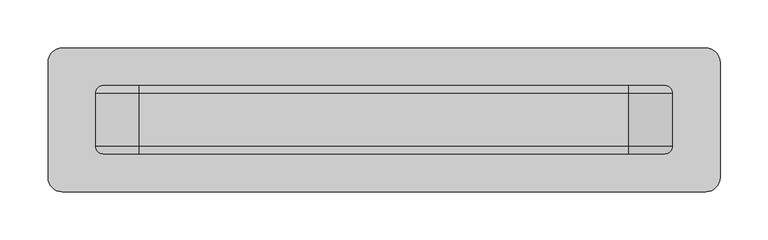
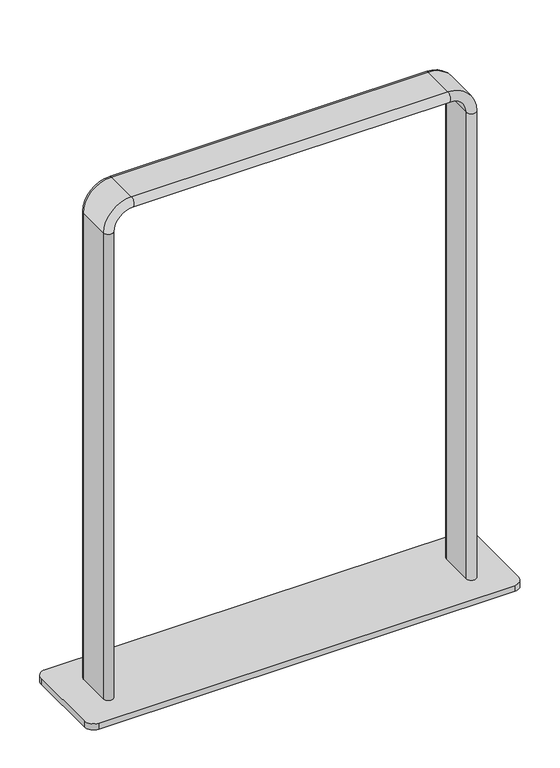
"""IFC4 building model written with IfcOpenShell, lengths in millimetres: furniture geometry."""

from ifc_helpers import new_model, si_unit, point, frame, frame_2d, origin, origin_with_axes, place, context, project, spatial, polyline, circle_curve, ellipse_curve, trimmed, segment, composite_curve, outline, extrude, source, transform, mapped, element, save
from ifc_brep_helpers import plane_surface, cylinder_surface, revolved_surface, advanced_brep


def furniture_acb27697(model_context):
    return source(origin(), model_context, "Body", "SolidModel", [
        extrude(outline(composite_curve([segment(polyline([(-334.9999948, 75.0), (334.9999948, 75.0)]), True, "CONTINUOUS"), segment(trimmed(circle_curve(frame_2d((334.9999948, 59.9999948)), 15.0000052), [point((334.9999948, 75.0))], [point((350.0, 59.9999948))], False, "CARTESIAN"), True, "CONTINUOUS"), segment(polyline([(350.0, 59.9999948), (350.0, -59.9999948)]), True, "CONTINUOUS"), segment(trimmed(circle_curve(frame_2d((334.9999948, -59.9999948)), 15.0000052), [point((350.0, -59.9999948))], [point((334.9999948, -75.0))], False, "CARTESIAN"), True, "CONTINUOUS"), segment(polyline([(334.9999948, -75.0), (-334.9999948, -75.0)]), True, "CONTINUOUS"), segment(trimmed(circle_curve(frame_2d((-334.9999948, -59.9999948)), 15.0000052), [point((-334.9999948, -75.0))], [point((-350.0, -59.9999948))], False, "CARTESIAN"), True, "CONTINUOUS"), segment(polyline([(-350.0, -59.9999948), (-350.0, 59.9999948)]), True, "CONTINUOUS"), segment(trimmed(circle_curve(frame_2d((-334.9999948, 59.9999948)), 15.0000052), [point((-350.0, 59.9999948))], [point((-334.9999948, 75.0))], False, "CARTESIAN"), True, "CONTINUOUS")], self_intersect=False)), origin_with_axes(), (0.0, 0.0, 1.0), 10.1033333),
        advanced_brep(
        [(300.4996289, 27.5, 0.0), (300.4996289, -27.5, 0.0), (284.4996289, -27.5, 0.0), (284.4996289, 27.5, 0.0), (300.4996289, 27.5, 805.0), (300.4996289, -27.5, 805.0), (284.4996289, -27.5, 805.0), (284.4996289, 27.5, 805.0), (254.9998145, -27.5, 850.4998145), (254.9998145, 27.5, 850.4998145), (254.9998145, -27.5, 834.4998145), (254.9998145, 27.5, 834.4998145), (-255.0001855, 27.5, 850.4998145), (-255.0001855, -27.5, 850.4998145), (-255.0001855, -27.5, 834.4998145), (-255.0001855, 27.5, 834.4998145), (-300.5, -27.5, 805.0), (-300.5, 27.5, 805.0), (-284.5, -27.5, 805.0), (-284.5, 27.5, 805.0), (-300.5, 27.5, 0.0), (-284.5, 27.5, 0.0), (-284.5, -27.5, 0.0), (-300.5, -27.5, 0.0)],
        [
            (0, 1),
            (1, 2, circle_curve(frame((292.4996289, -27.5, 0.0), z_axis=(0.0, 0.0, -1.0), x_axis=(-1.0, 0.0, 0.0)), 8.0)),
            (2, 3),
            (3, 0, circle_curve(frame((292.4996289, 27.5, 0.0), z_axis=(0.0, 0.0, -1.0), x_axis=(1.0, 0.0, 0.0)), 8.0)),
            (0, 4),
            (4, 5),
            (5, 1),
            (5, 6, circle_curve(frame((292.4996289, -27.5, 805.0), z_axis=(0.0, 0.0, -1.0), x_axis=(-1.0, 0.0, 0.0)), 8.0)),
            (6, 2),
            (6, 7),
            (7, 3),
            (7, 4, circle_curve(frame((292.4996289, 27.5, 805.0), z_axis=(0.0, 0.0, -1.0), x_axis=(1.0, 0.0, 0.0)), 8.0)),
            (8, 5, circle_curve(frame((254.9998145, -27.5, 805.0), z_axis=(0.0, 1.0, 0.0), x_axis=(1.0, 0.0, 0.0)), 45.4998145)),
            (4, 9, circle_curve(frame((254.9998145, 27.5, 805.0), z_axis=(0.0, -1.0, 0.0), x_axis=(1.0, 0.0, 0.0)), 45.4998145)),
            (9, 8),
            (10, 6, circle_curve(frame((254.9998145, -27.5, 805.0), z_axis=(0.0, 1.0, 0.0), x_axis=(1.0, 0.0, 0.0)), 29.4998145)),
            (8, 10, circle_curve(frame((254.9998145, -27.5, 842.4998145), z_axis=(1.0, 0.0, 0.0), x_axis=(0.0, 0.0, -1.0)), 8.0)),
            (11, 7, circle_curve(frame((254.9998145, 27.5, 805.0), z_axis=(0.0, 1.0, 0.0), x_axis=(1.0, 0.0, 0.0)), 29.4998145)),
            (10, 11),
            (11, 9, circle_curve(frame((254.9998145, 27.5, 842.4998145), z_axis=(1.0, 0.0, 0.0), x_axis=(0.0, 0.0, 1.0)), 8.0)),
            (9, 12),
            (12, 13),
            (13, 8),
            (13, 14, circle_curve(frame((-255.0001855, -27.5, 842.4998145), z_axis=(1.0, 0.0, 0.0), x_axis=(0.0, 0.0, -1.0)), 8.0)),
            (14, 10),
            (14, 15),
            (15, 11),
            (15, 12, circle_curve(frame((-255.0001855, 27.5, 842.4998145), z_axis=(1.0, 0.0, 0.0), x_axis=(0.0, 0.0, 1.0)), 8.0)),
            (16, 13, circle_curve(frame((-255.0001855, -27.5, 805.0), z_axis=(0.0, 1.0, 0.0), x_axis=(0.0, 0.0, 1.0)), 45.4998145)),
            (12, 17, circle_curve(frame((-255.0001855, 27.5, 805.0), z_axis=(0.0, -1.0, 0.0), x_axis=(0.0, 0.0, 1.0)), 45.4998145)),
            (17, 16),
            (18, 14, circle_curve(frame((-255.0001855, -27.5, 805.0), z_axis=(0.0, 1.0, 0.0), x_axis=(0.0, 0.0, 1.0)), 29.4998145)),
            (16, 18, circle_curve(frame((-292.5, -27.5, 805.0), z_axis=(0.0, 0.0, 1.0), x_axis=(1.0, 0.0, 0.0)), 8.0)),
            (19, 15, circle_curve(frame((-255.0001855, 27.5, 805.0), z_axis=(0.0, 1.0, 0.0), x_axis=(0.0, 0.0, 1.0)), 29.4998145)),
            (18, 19),
            (19, 17, circle_curve(frame((-292.5, 27.5, 805.0), z_axis=(0.0, 0.0, 1.0), x_axis=(-1.0, 0.0, 0.0)), 8.0)),
            (20, 21, circle_curve(frame((-292.5, 27.5, 0.0), z_axis=(0.0, 0.0, -1.0), x_axis=(-1.0, 0.0, 0.0)), 8.0)),
            (21, 22),
            (22, 23, circle_curve(frame((-292.5, -27.5, 0.0), z_axis=(0.0, 0.0, -1.0), x_axis=(1.0, 0.0, 0.0)), 8.0)),
            (23, 20),
            (17, 20),
            (23, 16),
            (22, 18),
            (21, 19),
        ],
        [
            plane_surface(frame((299.9998145, 0.0, 0.0), z_axis=(0.0, 0.0, -1.0), x_axis=(0.0, -1.0, 0.0))),
            plane_surface(frame((300.4996289, 27.5, 0.0), z_axis=(1.0, 0.0, 0.0), x_axis=(0.0, 0.0, 1.0))),
            cylinder_surface(frame((292.4996289, -27.5, 0.0), z_axis=(0.0, 0.0, -1.0), x_axis=(-1.0, 0.0, 0.0)), 8.0),
            plane_surface(frame((284.4996289, -27.5, 0.0), z_axis=(-1.0, 0.0, 0.0), x_axis=(0.0, 0.0, 1.0))),
            cylinder_surface(frame((292.4996289, 27.5, 0.0), z_axis=(0.0, 0.0, -1.0), x_axis=(1.0, 0.0, 0.0)), 8.0),
            cylinder_surface(frame((254.9998145, 0.0, 805.0), z_axis=(0.0, -1.0, 0.0), x_axis=(1.0, 0.0, 0.0)), 45.4998145),
            revolved_surface(trimmed(ellipse_curve(frame((292.4996289, -27.5, 805.0), z_axis=(0.0, 0.0, -1.0), x_axis=(-1.0, 0.0, 0.0)), 8.0, 8.0), [point((300.4996289, -27.5, 805.0))], [point((284.4996289, -27.5, 805.0))], True, "CARTESIAN"), (254.9998145, 0.0, 805.0), (0.0, -1.0, 0.0)),
            revolved_surface(polyline([(284.499629, -27.5, 805.0), (284.499629, 27.5, 805.0)]), (254.9998145, 0.0, 805.0), (0.0, -1.0, 0.0)),
            revolved_surface(trimmed(ellipse_curve(frame((292.4996289, 27.5, 805.0), z_axis=(0.0, 0.0, -1.0), x_axis=(1.0, 0.0, 0.0)), 8.0, 8.0), [point((284.4996289, 27.5, 805.0))], [point((300.4996289, 27.5, 805.0))], True, "CARTESIAN"), (254.9998145, 0.0, 805.0), (0.0, -1.0, 0.0)),
            plane_surface(frame((254.9998145, 27.5, 850.4998145), z_axis=(0.0, 0.0, 1.0), x_axis=(-1.0, 0.0, 0.0))),
            cylinder_surface(frame((254.9998145, -27.5, 842.4998145), z_axis=(1.0, 0.0, 0.0), x_axis=(0.0, 0.0, -1.0)), 8.0),
            plane_surface(frame((254.9998145, -27.5, 834.4998145), z_axis=(0.0, 0.0, -1.0), x_axis=(-1.0, 0.0, 0.0))),
            cylinder_surface(frame((254.9998145, 27.5, 842.4998145), z_axis=(1.0, 0.0, 0.0), x_axis=(0.0, 0.0, 1.0)), 8.0),
            cylinder_surface(frame((-255.0001855, 0.0, 805.0), z_axis=(0.0, -1.0, 0.0), x_axis=(0.0, 0.0, 1.0)), 45.4998145),
            revolved_surface(trimmed(ellipse_curve(frame((-255.0001855, -27.5, 842.4998145), z_axis=(1.0, 0.0, 0.0), x_axis=(0.0, 0.0, -1.0)), 8.0, 8.0), [point((-255.0001855, -27.5, 850.4998145))], [point((-255.0001855, -27.5, 834.4998145))], True, "CARTESIAN"), (-255.0001855, 0.0, 805.0), (0.0, -1.0, 0.0)),
            revolved_surface(polyline([(-255.0001855, -27.5, 834.4998145), (-255.0001855, 27.5, 834.4998145)]), (-255.0001855, 0.0, 805.0), (0.0, -1.0, 0.0)),
            revolved_surface(trimmed(ellipse_curve(frame((-255.0001855, 27.5, 842.4998145), z_axis=(1.0, 0.0, 0.0), x_axis=(0.0, 0.0, 1.0)), 8.0, 8.0), [point((-255.0001855, 27.5, 834.4998145))], [point((-255.0001855, 27.5, 850.4998145))], True, "CARTESIAN"), (-255.0001855, 0.0, 805.0), (0.0, -1.0, 0.0)),
            plane_surface(frame((-300.0001855, 0.0, 0.0), z_axis=(0.0, 0.0, -1.0), x_axis=(0.0, -1.0, 0.0))),
            plane_surface(frame((-300.5, 27.5, 805.0), z_axis=(-1.0, 0.0, 0.0), x_axis=(0.0, 0.0, -1.0))),
            cylinder_surface(frame((-292.5, -27.5, 805.0), z_axis=(0.0, 0.0, 1.0), x_axis=(1.0, 0.0, 0.0)), 8.0),
            plane_surface(frame((-284.5, -27.5, 805.0), z_axis=(1.0, 0.0, 0.0), x_axis=(0.0, 0.0, -1.0))),
            cylinder_surface(frame((-292.5, 27.5, 805.0), z_axis=(0.0, 0.0, 1.0), x_axis=(-1.0, 0.0, 0.0)), 8.0),
        ],
        [
            (0, [[1, 2, 3, 4]]),
            (1, [[-1, 5, 6, 7]]),
            (2, [[-2, -7, 8, 9]]),
            (3, [[-3, -9, 10, 11]]),
            (4, [[-4, -11, 12, -5]]),
            (5, [[13, -6, 14, 15]]),
            (6, [[16, -8, -13, 17]]),
            (7, [[18, -10, -16, 19]]),
            (8, [[-14, -12, -18, 20]]),
            (9, [[-15, 21, 22, 23]]),
            (10, [[-17, -23, 24, 25]]),
            (11, [[-19, -25, 26, 27]]),
            (12, [[-20, -27, 28, -21]]),
            (13, [[29, -22, 30, 31]]),
            (14, [[32, -24, -29, 33]]),
            (15, [[34, -26, -32, 35]]),
            (16, [[-30, -28, -34, 36]]),
            (17, [[37, 38, 39, 40]]),
            (18, [[-31, 41, -40, 42]]),
            (19, [[-33, -42, -39, 43]]),
            (20, [[-35, -43, -38, 44]]),
            (21, [[-36, -44, -37, -41]]),
        ],
    ),
    ])


if __name__ == "__main__":
    model = new_model("IFC4")
    model_context = context("Model", 3, world=origin())
    ifc_project = project(units=[si_unit("LENGTHUNIT", "METRE", prefix="MILLI")], contexts=[model_context])
    site = spatial("IfcSite", under=ifc_project)
    building = spatial("IfcBuilding", under=site)
    placement = place(None, origin())
    furniture_shape = furniture_acb27697(model_context)
    element("IfcFurniture", 1, at=placement, inside=building, context=model_context, shape_type="MappedRepresentation", body=[
        mapped(furniture_shape, transform((0.0, 0.0, 0.0), x_axis=(1.0, 0.0, 0.0), y_axis=(0.0, 1.0, 0.0), z_axis=(0.0, 0.0, 1.0))),
    ])
    save(model, "model.ifc")
